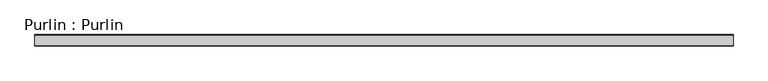
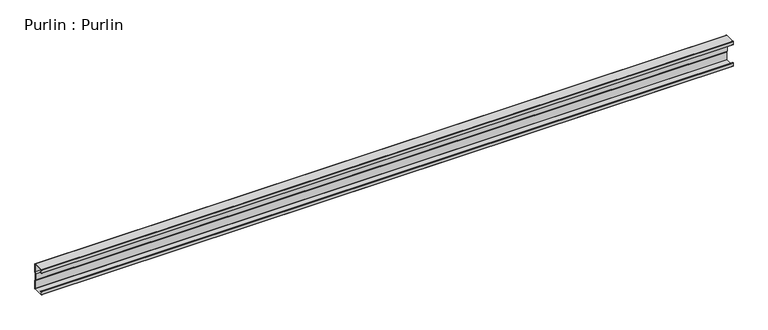
"""IFC4 building model written with IfcOpenShell, lengths in millimetres: beam geometry, Purlin : Purlin."""

import ifcopenshell
import ifcopenshell.guid

model = None  # the IFC model being written
_history = None  # IfcOwnerHistory: only IFC2X3 demands one
_inside = {}  # id of a spatial element -> (the spatial element, [elements in it])
_under = {}  # id of a project, library or spatial element -> (it, [spatial elements below it])
_declared = {}  # id of a project -> (the project, [libraries it declares])
_typed = {}  # id of a type object -> (the type object, [elements of that type])
_made_of = {}  # id of a material, layer set ... -> (it, [elements and type objects made of it])


def new_model(schema):
    """Start an empty IFC model of exactly this schema.

    Asked for "IFC4X3", IfcOpenShell would pick the latest addendum, in which some entities
    have other attributes; the version numbers below select the first issue.
    IFC2X3 requires an IfcOwnerHistory on every rooted entity: one is made here for all.
    """
    global model, _history
    if schema == "IFC4X3":
        model = ifcopenshell.file(schema_version=(4, 3, 0, 0))
    else:
        model = ifcopenshell.file(schema=schema)
    _inside.clear()
    _under.clear()
    _declared.clear()
    _typed.clear()
    _made_of.clear()
    _history = None
    if model.schema == "IFC2X3":
        org = make("IfcOrganization", Name="unknown")
        user = make(
            "IfcPersonAndOrganization",
            ThePerson=make("IfcPerson", FamilyName="unknown"),
            TheOrganization=org,
        )
        app = make(
            "IfcApplication",
            ApplicationDeveloper=org,
            Version="unknown",
            ApplicationFullName="unknown",
            ApplicationIdentifier="unknown",
        )
        _history = make(
            "IfcOwnerHistory",
            OwningUser=user,
            OwningApplication=app,
            ChangeAction="ADDED",
            CreationDate=0,
        )
    return model


def make(cls, **values):
    """One entity of the class cls with the attributes given. An attribute that is None is left unset."""
    return model.create_entity(
        cls, **{name: value for name, value in values.items() if value is not None}
    )


def rooted(cls, **values):
    """An entity with a GlobalId (a new one), such as an element, a storey or a relation."""
    return make(cls, GlobalId=ifcopenshell.guid.new(), OwnerHistory=_history, **values)


def si_unit(unit_type, name, prefix=None):
    """IfcSIUnit, for example si_unit("LENGTHUNIT", "METRE", prefix="MILLI")."""
    return make("IfcSIUnit", UnitType=unit_type, Prefix=prefix, Name=name)


def assignment(units):
    """IfcUnitAssignment: the units of a project."""
    return None if units is None else make("IfcUnitAssignment", Units=units)


def point(xyz):
    """IfcCartesianPoint."""
    return None if xyz is None else make("IfcCartesianPoint", Coordinates=xyz)


def direction(xyz):
    """IfcDirection."""
    return None if xyz is None else make("IfcDirection", DirectionRatios=xyz)


def frame(location, z_axis=None, x_axis=None):
    """IfcAxis2Placement3D, a coordinate frame: its origin and axes. An axis left out is left unset."""
    return make(
        "IfcAxis2Placement3D",
        Location=point(location),
        Axis=direction(z_axis),
        RefDirection=direction(x_axis),
    )


def frame_2d(location, x_axis=None):
    """IfcAxis2Placement2D, a coordinate frame in the plane: its origin and x axis."""
    return make(
        "IfcAxis2Placement2D", Location=point(location), RefDirection=direction(x_axis)
    )


def origin():
    """The frame at (0, 0, 0) with its axes left unset."""
    return frame((0.0, 0.0, 0.0))


def place(relative_to, where):
    """IfcLocalPlacement: puts the frame where relative to a parent placement (None: the world)."""
    return make(
        "IfcLocalPlacement", PlacementRelTo=relative_to, RelativePlacement=where
    )


def context(
    kind, dimensions, precision=None, world=None, true_north=None, identifier=None
):
    """IfcGeometricRepresentationContext, for example the 3D "Model" context."""
    return make(
        "IfcGeometricRepresentationContext",
        ContextIdentifier=identifier,
        ContextType=kind,
        CoordinateSpaceDimension=dimensions,
        Precision=precision,
        WorldCoordinateSystem=world,
        TrueNorth=true_north,
    )


def project(units=None, contexts=None):
    """IfcProject with its units and contexts."""
    return rooted(
        "IfcProject",
        Name="project",
        RepresentationContexts=contexts,
        UnitsInContext=assignment(units),
    )


def spatial(cls, under=None, at=None, **own):
    """A site, building, storey or space (cls), placed at a placement, below another one or the project."""
    s = rooted(cls, ObjectPlacement=at, **own)
    if under is not None:
        _under.setdefault(under.id(), (under, []))[1].append(s)
    return s


def polyline(points):
    """IfcPolyline through the points."""
    return make("IfcPolyline", Points=[point(p) for p in points])


def circle_curve(where, radius):
    """IfcCircle in the frame where."""
    return make("IfcCircle", Position=where, Radius=radius)


def trimmed(basis, trim1, trim2, sense, master):
    """IfcTrimmedCurve: the piece of a basis curve between two trims."""
    return make(
        "IfcTrimmedCurve",
        BasisCurve=basis,
        Trim1=trim1,
        Trim2=trim2,
        SenseAgreement=sense,
        MasterRepresentation=master,
    )


def segment(curve, same_sense, transition):
    """IfcCompositeCurveSegment."""
    return make(
        "IfcCompositeCurveSegment",
        Transition=transition,
        SameSense=same_sense,
        ParentCurve=curve,
    )


def composite_curve(segments, self_intersect=None):
    """IfcCompositeCurve: segments joined end to end."""
    return make("IfcCompositeCurve", Segments=segments, SelfIntersect=self_intersect)


def outline(outer, holes=None, kind="AREA"):
    """IfcArbitraryClosedProfileDef: a profile drawn as a closed curve; with holes, ...WithVoids."""
    if holes is None:
        return make("IfcArbitraryClosedProfileDef", ProfileType=kind, OuterCurve=outer)
    return make(
        "IfcArbitraryProfileDefWithVoids",
        ProfileType=kind,
        OuterCurve=outer,
        InnerCurves=holes,
    )


def extrude(swept, where, along, depth):
    """IfcExtrudedAreaSolid: the profile swept, set in the frame where, extruded along a direction by depth."""
    return make(
        "IfcExtrudedAreaSolid",
        SweptArea=swept,
        Position=where,
        ExtrudedDirection=direction(along),
        Depth=depth,
    )


def shape(context_of_items, identifier, shape_type, items):
    """IfcShapeRepresentation: the items that make up one representation, for example the "Body"."""
    return make(
        "IfcShapeRepresentation",
        ContextOfItems=context_of_items,
        RepresentationIdentifier=identifier,
        RepresentationType=shape_type,
        Items=items,
    )


def source(mapping_origin, context_of_items, identifier, shape_type, items):
    """IfcRepresentationMap: a shape defined once, which mapped items show again and again."""
    return make(
        "IfcRepresentationMap",
        MappingOrigin=mapping_origin,
        MappedRepresentation=shape(context_of_items, identifier, shape_type, items),
    )


def transform(
    local_origin,
    x_axis=None,
    y_axis=None,
    z_axis=None,
    scale=None,
    scale2=None,
    scale3=None,
    uniform=True,
):
    """IfcCartesianTransformationOperator3D, or its non-uniform kind. x_axis, y_axis, z_axis: its Axis1, 2, 3."""
    if uniform:
        return make(
            "IfcCartesianTransformationOperator3D",
            Axis1=direction(x_axis),
            Axis2=direction(y_axis),
            LocalOrigin=point(local_origin),
            Scale=scale,
            Axis3=direction(z_axis),
        )
    return make(
        "IfcCartesianTransformationOperator3DnonUniform",
        Axis1=direction(x_axis),
        Axis2=direction(y_axis),
        LocalOrigin=point(local_origin),
        Scale=scale,
        Axis3=direction(z_axis),
        Scale2=scale2,
        Scale3=scale3,
    )


def mapped(mapping_source, mapping_target):
    """IfcMappedItem: shows the shape of a source again, moved by a transform."""
    return make(
        "IfcMappedItem", MappingSource=mapping_source, MappingTarget=mapping_target
    )


def made_of(thing, what):
    """Note that an element or type object is made of a material, layer set ...; save() writes the relation."""
    if what is not None:
        _made_of.setdefault(what.id(), (what, []))[1].append(thing)
    return thing


def element(
    cls,
    number,
    at=None,
    inside=None,
    cuts=None,
    type_object=None,
    material=None,
    context=None,
    identifier="Body",
    shape_type=None,
    held_by="IfcProductDefinitionShape",
    body=None,
    shapes=None,
    **own,
):
    """One element of the class cls, such as IfcWall. Its Tag is "e" and its number.

    at: its placement. inside: the storey or other place that contains it. cuts: it is an
    opening in that element (IfcRelVoidsElement). A single representation is given by context,
    identifier, shape_type and body (its items); several are given by shapes. held_by: the class
    of the entity that holds the representations. save() writes the other relations.
    """
    e = rooted(cls, Tag="e%d" % number, ObjectPlacement=at, **own)
    if body is not None:
        shapes = [shape(context, identifier, shape_type, body)]
    if shapes is not None:
        e.Representation = make(held_by, Representations=shapes)
    if inside is not None:
        _inside.setdefault(inside.id(), (inside, []))[1].append(e)
    if cuts is not None:
        rooted(
            "IfcRelVoidsElement", RelatingBuildingElement=cuts, RelatedOpeningElement=e
        )
    if type_object is not None:
        _typed.setdefault(type_object.id(), (type_object, []))[1].append(e)
    return made_of(e, material)


def aggregate(whole, parts):
    """IfcRelAggregates: a whole, such as a stair, and the parts it consists of."""
    return rooted("IfcRelAggregates", RelatingObject=whole, RelatedObjects=parts)


def save(model, path):
    """Write the relations noted so far, then the file.

    IfcRelAggregates (storeys below a building ...), IfcRelContainedInSpatialStructure (elements
    in a storey), IfcRelDefinesByType, IfcRelAssociatesMaterial and IfcRelDeclares: one each for
    every whole, place, type object, material and project.
    """
    for whole, parts in _under.values():
        aggregate(whole, parts)
    for where, things in _inside.values():
        rooted(
            "IfcRelContainedInSpatialStructure",
            RelatedElements=things,
            RelatingStructure=where,
        )
    for kind, things in _typed.values():
        rooted("IfcRelDefinesByType", RelatedObjects=things, RelatingType=kind)
    for what, things in _made_of.values():
        rooted("IfcRelAssociatesMaterial", RelatedObjects=things, RelatingMaterial=what)
    for by, libraries in _declared.values():
        rooted("IfcRelDeclares", RelatingContext=by, RelatedDefinitions=libraries)
    model.write(path)


def purlin_purlin_0a154449(model_context):
    return source(origin(), model_context, "Body", "SweptSolid", [
        extrude(outline(composite_curve([segment(polyline([(30.5, -75.0), (-30.5, -75.0)]), True, "CONTINUOUS"), segment(trimmed(circle_curve(frame_2d((-30.5, -73.5)), 1.5), [point((-30.5, -75.0))], [point((-32.0, -73.5))], False, "CARTESIAN"), True, "CONTINUOUS"), segment(polyline([(-32.0, -73.5), (-32.0, -55.5689158)]), True, "CONTINUOUS"), segment(trimmed(circle_curve(frame_2d((-30.5, -55.5689158)), 1.5), [point((-32.0, -55.5689158))], [point((-29.6183221, -54.3553903))], False, "CARTESIAN"), True, "CONTINUOUS"), segment(polyline([(-29.6183221, -54.3553903), (-22.7008639, -59.3812179), (-23.2886491, -60.1902349), (-30.2061074, -55.1644073)]), True, "CONTINUOUS"), segment(trimmed(circle_curve(frame_2d((-30.5, -55.5689158)), 0.5), [point((-30.2061074, -55.1644073))], [point((-31.0, -55.5689158))], True, "CARTESIAN"), True, "CONTINUOUS"), segment(polyline([(-31.0, -55.5689158), (-31.0, -73.0)]), True, "CONTINUOUS"), segment(trimmed(circle_curve(frame_2d((-30.0, -73.0)), 1.0), [point((-31.0, -73.0))], [point((-30.0, -74.0))], True, "CARTESIAN"), True, "CONTINUOUS"), segment(polyline([(-30.0, -74.0), (30.0, -74.0)]), True, "CONTINUOUS"), segment(trimmed(circle_curve(frame_2d((30.0, -73.0)), 1.0), [point((30.0, -74.0))], [point((31.0, -73.0))], True, "CARTESIAN"), True, "CONTINUOUS"), segment(polyline([(31.0, -73.0), (31.0, -26.8252474), (25.375, -18.9502474), (25.375, 18.7314974), (31.0, 26.3252474), (31.0, 73.0)]), True, "CONTINUOUS"), segment(trimmed(circle_curve(frame_2d((30.0, 73.0)), 1.0), [point((31.0, 73.0))], [point((30.0, 74.0))], True, "CARTESIAN"), True, "CONTINUOUS"), segment(polyline([(30.0, 74.0), (-30.0, 74.0)]), True, "CONTINUOUS"), segment(trimmed(circle_curve(frame_2d((-30.0, 73.0)), 1.0), [point((-30.0, 74.0))], [point((-31.0, 73.0))], True, "CARTESIAN"), True, "CONTINUOUS"), segment(polyline([(-31.0, 73.0), (-31.0, 55.5689158)]), True, "CONTINUOUS"), segment(trimmed(circle_curve(frame_2d((-30.5, 55.5689158)), 0.5), [point((-31.0, 55.5689158))], [point((-30.2061074, 55.1644073))], True, "CARTESIAN"), True, "CONTINUOUS"), segment(polyline([(-30.2061074, 55.1644073), (-23.2886491, 60.1902349), (-22.7008639, 59.3812179), (-29.6183221, 54.3553903)]), True, "CONTINUOUS"), segment(trimmed(circle_curve(frame_2d((-30.5, 55.5689158)), 1.5), [point((-29.6183221, 54.3553903))], [point((-32.0, 55.5689158))], False, "CARTESIAN"), True, "CONTINUOUS"), segment(polyline([(-32.0, 55.5689158), (-32.0, 73.5)]), True, "CONTINUOUS"), segment(trimmed(circle_curve(frame_2d((-30.5, 73.5)), 1.5), [point((-32.0, 73.5))], [point((-30.5, 75.0))], False, "CARTESIAN"), True, "CONTINUOUS"), segment(polyline([(-30.5, 75.0), (30.5, 75.0)]), True, "CONTINUOUS"), segment(trimmed(circle_curve(frame_2d((30.5, 73.5)), 1.5), [point((30.5, 75.0))], [point((32.0, 73.5))], False, "CARTESIAN"), True, "CONTINUOUS"), segment(polyline([(32.0, 73.5), (32.0, 25.9952176), (26.375, 18.4014676), (26.375, -18.6297824), (32.0, -26.5047824), (32.0, -73.5)]), True, "CONTINUOUS"), segment(trimmed(circle_curve(frame_2d((30.5, -73.5)), 1.5), [point((32.0, -73.5))], [point((30.5, -75.0))], False, "CARTESIAN"), True, "CONTINUOUS")], self_intersect=False)), frame((-1958.5791696, 0.0, 0.0), z_axis=(1.0, 0.0, 0.0), x_axis=(0.0, 1.0, 0.0)), (0.0, 0.0, 1.0), 3917.1583392),
    ])


if __name__ == "__main__":
    model = new_model("IFC4")
    model_context = context("Model", 3, world=origin())
    ifc_project = project(units=[si_unit("LENGTHUNIT", "METRE", prefix="MILLI")], contexts=[model_context])
    site = spatial("IfcSite", under=ifc_project)
    building = spatial("IfcBuilding", under=site)
    placement = place(None, origin())
    purlin_purlin_shape = purlin_purlin_0a154449(model_context)
    element("IfcBeam", 1, ObjectType="Purlin : Purlin", at=placement, inside=building, context=model_context, shape_type="MappedRepresentation", body=[
        mapped(purlin_purlin_shape, transform((0.0, 0.0, 0.0), x_axis=(1.0, 0.0, 0.0), y_axis=(0.0, 1.0, 0.0), z_axis=(0.0, 0.0, 1.0))),
    ])
    save(model, "model.ifc")
